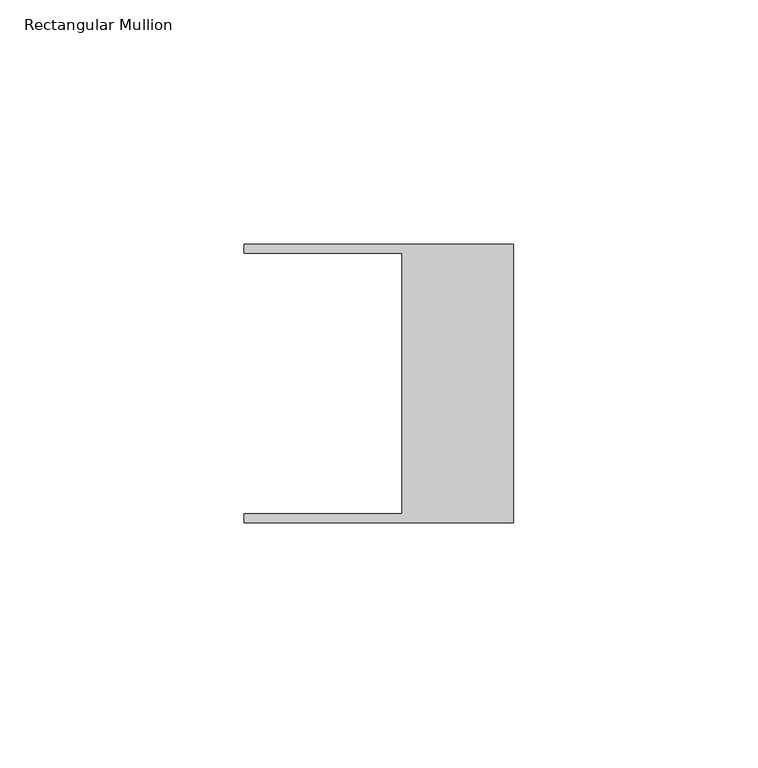
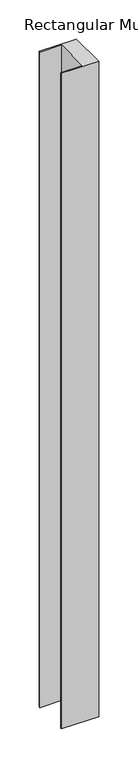
"""IFC4 building model written with IfcOpenShell, lengths in millimetres: member geometry, Rectangular Mullion."""

from ifc_helpers import new_model, si_unit, frame, origin, place, context, project, spatial, polyline, outline, extrude, source, transform, mapped, element, save


def rectangular_mullion_5cb16c60(model_context):
    return source(origin(), model_context, "Body", "SweptSolid", [
        extrude(outline(polyline([(-55.118, 26.67), (-55.118, 28.448), (0.0, 28.448), (0.0, -28.448), (-55.118, -28.448), (-55.118, -26.67), (-22.86, -26.67), (-22.86, 26.67), (-55.118, 26.67)])), frame((0.0, 0.0, -1024.9917465), z_axis=(0.0, 0.0, 1.0), x_axis=(1.0, 0.0, 0.0)), (0.0, 0.0, 1.0), 1024.9917465),
    ])


if __name__ == "__main__":
    model = new_model("IFC4")
    model_context = context("Model", 3, world=origin())
    ifc_project = project(units=[si_unit("LENGTHUNIT", "METRE", prefix="MILLI")], contexts=[model_context])
    site = spatial("IfcSite", under=ifc_project)
    building = spatial("IfcBuilding", under=site)
    placement = place(None, origin())
    rectangular_mullion_shape = rectangular_mullion_5cb16c60(model_context)
    element("IfcMember", 1, ObjectType="Rectangular Mullion", at=placement, inside=building, context=model_context, shape_type="MappedRepresentation", body=[
        mapped(rectangular_mullion_shape, transform((0.0, 0.0, 0.0), x_axis=(1.0, 0.0, 0.0), y_axis=(0.0, 1.0, 0.0), z_axis=(0.0, 0.0, 1.0))),
    ])
    save(model, "model.ifc")
